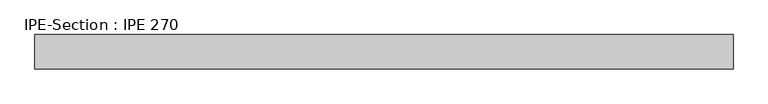
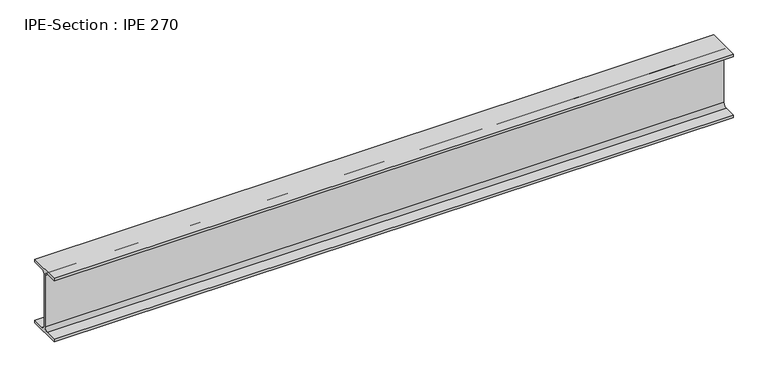
"""IFC4 building model written with IfcOpenShell, lengths in millimetres: beam geometry, IPE-Section : IPE 270."""

from ifc_helpers import new_model, si_unit, point, frame, frame_2d, origin, place, context, project, spatial, polyline, circle_curve, trimmed, segment, composite_curve, outline, extrude, source, transform, mapped, element, save


def ipe_section_ipe_270_88ee45ad(model_context):
    return source(origin(), model_context, "Body", "SweptSolid", [
        extrude(outline(composite_curve([segment(polyline([(67.5, -124.8), (67.5, -135.0), (-67.5, -135.0), (-67.5, -124.8), (-18.3, -124.8)]), True, "CONTINUOUS"), segment(trimmed(circle_curve(frame_2d((-18.3, -109.8)), 15.0), [point((-18.3, -124.8))], [point((-3.3, -109.8))], True, "CARTESIAN"), True, "CONTINUOUS"), segment(polyline([(-3.3, -109.8), (-3.3, 109.8)]), True, "CONTINUOUS"), segment(trimmed(circle_curve(frame_2d((-18.3, 109.8)), 15.0), [point((-3.3, 109.8))], [point((-18.3, 124.8))], True, "CARTESIAN"), True, "CONTINUOUS"), segment(polyline([(-18.3, 124.8), (-67.5, 124.8), (-67.5, 135.0), (67.5, 135.0), (67.5, 124.8), (18.3, 124.8)]), True, "CONTINUOUS"), segment(trimmed(circle_curve(frame_2d((18.3, 109.8)), 15.0), [point((18.3, 124.8))], [point((3.3, 109.8))], True, "CARTESIAN"), True, "CONTINUOUS"), segment(polyline([(3.3, 109.8), (3.3, -109.8)]), True, "CONTINUOUS"), segment(trimmed(circle_curve(frame_2d((18.3, -109.8)), 15.0), [point((3.3, -109.8))], [point((18.3, -124.8))], True, "CARTESIAN"), True, "CONTINUOUS"), segment(polyline([(18.3, -124.8), (67.5, -124.8)]), True, "CONTINUOUS")], self_intersect=False)), frame((-1367.3, 0.0, 0.0), z_axis=(1.0, 0.0, 0.0), x_axis=(0.0, 1.0, 0.0)), (0.0, 0.0, 1.0), 2734.6),
    ])


if __name__ == "__main__":
    model = new_model("IFC4")
    model_context = context("Model", 3, world=origin())
    ifc_project = project(units=[si_unit("LENGTHUNIT", "METRE", prefix="MILLI")], contexts=[model_context])
    site = spatial("IfcSite", under=ifc_project)
    building = spatial("IfcBuilding", under=site)
    placement = place(None, origin())
    ipe_section_ipe_270_shape = ipe_section_ipe_270_88ee45ad(model_context)
    element("IfcBeam", 1, ObjectType="IPE-Section : IPE 270", at=placement, inside=building, context=model_context, shape_type="MappedRepresentation", body=[
        mapped(ipe_section_ipe_270_shape, transform((0.0, 0.0, 0.0), x_axis=(1.0, 0.0, 0.0), y_axis=(0.0, 1.0, 0.0), z_axis=(0.0, 0.0, 1.0))),
    ])
    save(model, "model.ifc")
